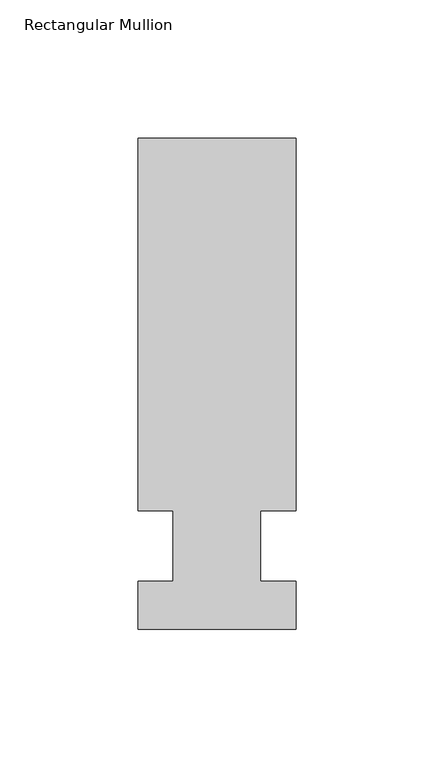
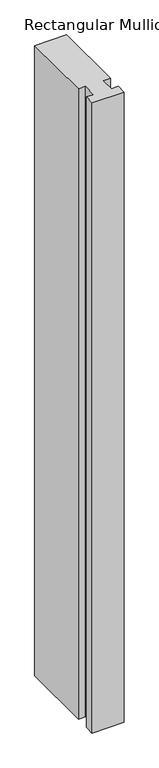
"""IFC4 building model written with IfcOpenShell, lengths in millimetres: member geometry, Rectangular Mullion."""

from ifc_helpers import new_model, si_unit, frame, origin, place, context, project, spatial, polyline, outline, extrude, source, transform, mapped, element, save


def rectangular_mullion_06723597(model_context):
    return source(origin(), model_context, "Body", "SweptSolid", [
        extrude(outline(polyline([(28.575, 147.6375), (28.575, 12.7), (15.8732296, 12.7), (15.8732296, -12.7), (28.575, -12.7), (28.575, -30.1625), (-28.575, -30.1625), (-28.575, -12.7), (-15.875, -12.7), (-15.875, 12.7), (-28.575, 12.7), (-28.575, 147.6375), (28.575, 147.6375)])), frame((0.0, 0.0, -1190.625), z_axis=(0.0, 0.0, 1.0), x_axis=(1.0, 0.0, 0.0)), (0.0, 0.0, 1.0), 1190.625),
    ])


if __name__ == "__main__":
    model = new_model("IFC4")
    model_context = context("Model", 3, world=origin())
    ifc_project = project(units=[si_unit("LENGTHUNIT", "METRE", prefix="MILLI")], contexts=[model_context])
    site = spatial("IfcSite", under=ifc_project)
    building = spatial("IfcBuilding", under=site)
    placement = place(None, origin())
    rectangular_mullion_shape = rectangular_mullion_06723597(model_context)
    element("IfcMember", 1, ObjectType="Rectangular Mullion", at=placement, inside=building, context=model_context, shape_type="MappedRepresentation", body=[
        mapped(rectangular_mullion_shape, transform((0.0, 0.0, 0.0), x_axis=(1.0, 0.0, 0.0), y_axis=(0.0, 1.0, 0.0), z_axis=(0.0, 0.0, 1.0))),
    ])
    save(model, "model.ifc")
